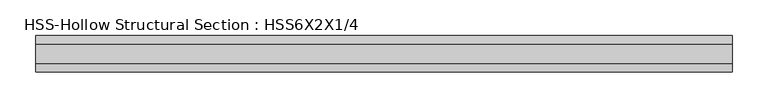
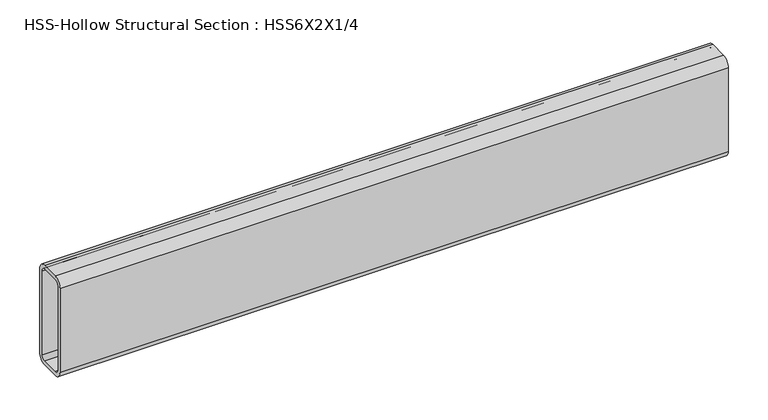
"""IFC4 building model written with IfcOpenShell, lengths in millimetres: beam geometry, HSS-Hollow Structural Section : HSS6X2X1/4."""

from ifc_helpers import new_model, si_unit, point, frame, frame_2d, origin, place, context, project, spatial, polyline, circle_curve, trimmed, segment, composite_curve, outline, extrude, source, transform, mapped, element, save


def hss_hollow_structural_section_hss6x2x1_4_2002d46a(model_context):
    return source(origin(), model_context, "Body", "SweptSolid", [
        extrude(outline(composite_curve([segment(polyline([(25.4, 64.3636), (25.4, -64.3636)]), True, "CONTINUOUS"), segment(trimmed(circle_curve(frame_2d((13.5636, -64.3636)), 11.8364), [point((25.4, -64.3636))], [point((13.5636, -76.2))], False, "CARTESIAN"), True, "CONTINUOUS"), segment(polyline([(13.5636, -76.2), (-13.5636, -76.2)]), True, "CONTINUOUS"), segment(trimmed(circle_curve(frame_2d((-13.5636, -64.3636)), 11.8364), [point((-13.5636, -76.2))], [point((-25.4, -64.3636))], False, "CARTESIAN"), True, "CONTINUOUS"), segment(polyline([(-25.4, -64.3636), (-25.4, 64.3636)]), True, "CONTINUOUS"), segment(trimmed(circle_curve(frame_2d((-13.5636, 64.3636)), 11.8364), [point((-25.4, 64.3636))], [point((-13.5636, 76.2))], False, "CARTESIAN"), True, "CONTINUOUS"), segment(polyline([(-13.5636, 76.2), (13.5636, 76.2)]), True, "CONTINUOUS"), segment(trimmed(circle_curve(frame_2d((13.5636, 64.3636)), 11.8364), [point((13.5636, 76.2))], [point((25.4, 64.3636))], False, "CARTESIAN"), True, "CONTINUOUS")], self_intersect=False), holes=[composite_curve([segment(trimmed(circle_curve(frame_2d((-13.5636, 64.3636)), 5.9182), [point((-13.5636, 70.2818))], [point((-19.4818, 64.3636))], True, "CARTESIAN"), True, "CONTINUOUS"), segment(polyline([(-19.4818, 64.3636), (-19.4818, -64.3636)]), True, "CONTINUOUS"), segment(trimmed(circle_curve(frame_2d((-13.5636, -64.3636)), 5.9182), [point((-19.4818, -64.3636))], [point((-13.5636, -70.2818))], True, "CARTESIAN"), True, "CONTINUOUS"), segment(polyline([(-13.5636, -70.2818), (13.5636, -70.2818)]), True, "CONTINUOUS"), segment(trimmed(circle_curve(frame_2d((13.5636, -64.3636)), 5.9182), [point((13.5636, -70.2818))], [point((19.4818, -64.3636))], True, "CARTESIAN"), True, "CONTINUOUS"), segment(polyline([(19.4818, -64.3636), (19.4818, 64.3636)]), True, "CONTINUOUS"), segment(trimmed(circle_curve(frame_2d((13.5636, 64.3636)), 5.9182), [point((19.4818, 64.3636))], [point((13.5636, 70.2818))], True, "CARTESIAN"), True, "CONTINUOUS"), segment(polyline([(13.5636, 70.2818), (-13.5636, 70.2818)]), True, "CONTINUOUS")], self_intersect=False)]), frame((-484.7624204, 0.0, 0.0), z_axis=(1.0, 0.0, 0.0), x_axis=(0.0, 1.0, 0.0)), (0.0, 0.0, 1.0), 969.3086136),
    ])


if __name__ == "__main__":
    model = new_model("IFC4")
    model_context = context("Model", 3, world=origin())
    ifc_project = project(units=[si_unit("LENGTHUNIT", "METRE", prefix="MILLI")], contexts=[model_context])
    site = spatial("IfcSite", under=ifc_project)
    building = spatial("IfcBuilding", under=site)
    placement = place(None, origin())
    hss_hollow_structural_section_hss6x2x1_4_shape = hss_hollow_structural_section_hss6x2x1_4_2002d46a(model_context)
    element("IfcBeam", 1, ObjectType="HSS-Hollow Structural Section : HSS6X2X1/4", at=placement, inside=building, context=model_context, shape_type="MappedRepresentation", body=[
        mapped(hss_hollow_structural_section_hss6x2x1_4_shape, transform((0.0, 0.0, 0.0), x_axis=(1.0, 0.0, 0.0), y_axis=(0.0, 1.0, 0.0), z_axis=(0.0, 0.0, 1.0))),
    ])
    save(model, "model.ifc")
